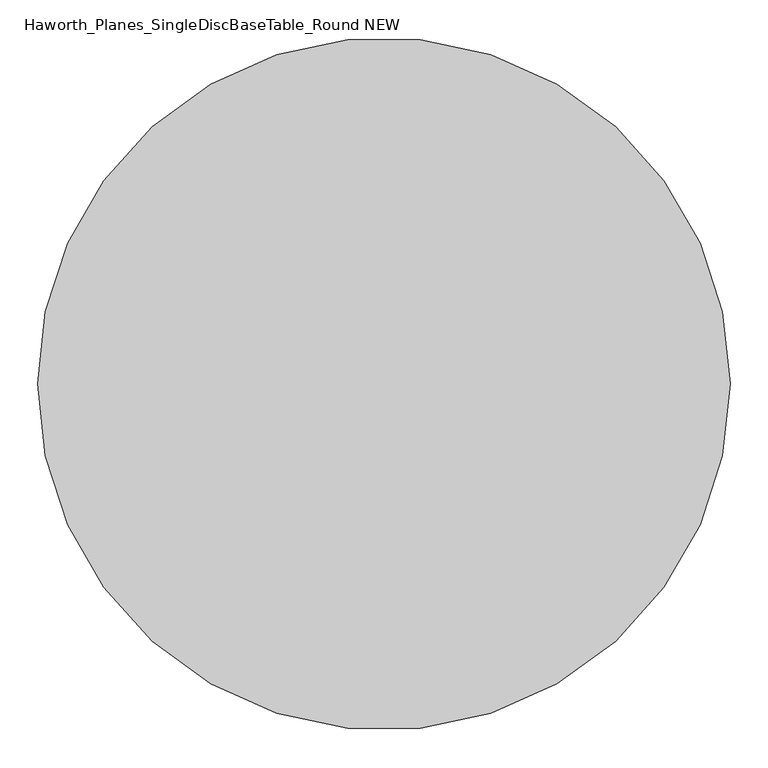
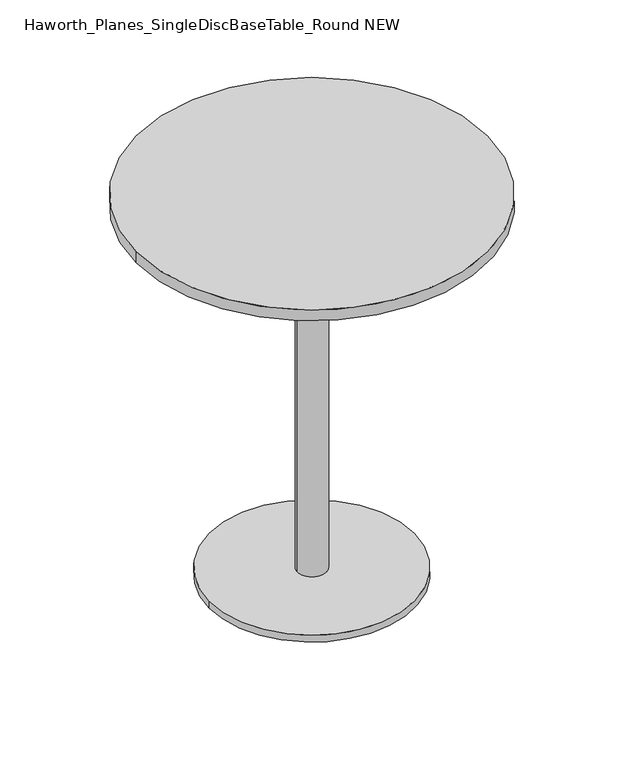
"""IFC4 building model written with IfcOpenShell, lengths in millimetres: furniture geometry, Haworth_Planes_SingleDiscBaseTable_Round NEW."""

from ifc_helpers import new_model, si_unit, point, frame, frame_2d, origin, origin_with_axes, place, context, project, spatial, circle_curve, trimmed, segment, composite_curve, outline, extrude, source, transform, mapped, element, save


def haworth_planes_singlediscbasetable_round_new_35d53a35(model_context):
    return source(origin(), model_context, "Body", "SweptSolid", [
        extrude(outline(composite_curve([segment(trimmed(circle_curve(frame_2d((-381.0, -4.0299408)), 266.7), [point((-647.7, -4.0299408))], [point((-114.3, -4.0299408))], False, "CARTESIAN"), True, "CONTINUOUS"), segment(trimmed(circle_curve(frame_2d((-381.0, -4.0299408)), 266.7), [point((-114.3, -4.0299408))], [point((-647.7, -4.0299408))], False, "CARTESIAN"), True, "CONTINUOUS")], self_intersect=False)), origin_with_axes(), (0.0, 0.0, 1.0), 19.05),
        extrude(outline(composite_curve([segment(trimmed(circle_curve(frame_2d((-381.0, -4.0299408)), 38.1), [point((-419.1, -4.0299408))], [point((-342.9, -4.0299408))], False, "CARTESIAN"), True, "CONTINUOUS"), segment(trimmed(circle_curve(frame_2d((-381.0, -4.0299408)), 38.1), [point((-342.9, -4.0299408))], [point((-419.1, -4.0299408))], False, "CARTESIAN"), True, "CONTINUOUS")], self_intersect=False)), frame((0.0, 0.0, 19.05), z_axis=(0.0, 0.0, 1.0), x_axis=(1.0, 0.0, 0.0)), (0.0, 0.0, 1.0), 998.5375),
        extrude(outline(composite_curve([segment(trimmed(circle_curve(frame_2d((-381.0, -4.0299408)), 457.2), [point((-838.2, -4.0299408))], [point((76.2, -4.0299408))], False, "CARTESIAN"), True, "CONTINUOUS"), segment(trimmed(circle_curve(frame_2d((-381.0, -4.0299408)), 457.2), [point((76.2, -4.0299408))], [point((-838.2, -4.0299408))], False, "CARTESIAN"), True, "CONTINUOUS")], self_intersect=False)), frame((0.0, 0.0, 1017.5875), z_axis=(0.0, 0.0, 1.0), x_axis=(1.0, 0.0, 0.0)), (0.0, 0.0, 1.0), 30.1625),
    ])


if __name__ == "__main__":
    model = new_model("IFC4")
    model_context = context("Model", 3, world=origin())
    ifc_project = project(units=[si_unit("LENGTHUNIT", "METRE", prefix="MILLI")], contexts=[model_context])
    site = spatial("IfcSite", under=ifc_project)
    building = spatial("IfcBuilding", under=site)
    placement = place(None, origin())
    haworth_planes_singlediscbasetable_round_new_shape = haworth_planes_singlediscbasetable_round_new_35d53a35(model_context)
    element("IfcFurniture", 1, ObjectType="Haworth_Planes_SingleDiscBaseTable_Round NEW", at=placement, inside=building, context=model_context, shape_type="MappedRepresentation", body=[
        mapped(haworth_planes_singlediscbasetable_round_new_shape, transform((0.0, 0.0, 0.0), x_axis=(1.0, 0.0, 0.0), y_axis=(0.0, 1.0, 0.0), z_axis=(0.0, 0.0, 1.0))),
    ])
    save(model, "model.ifc")
